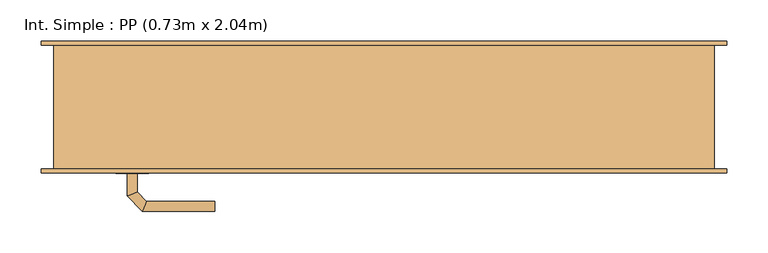
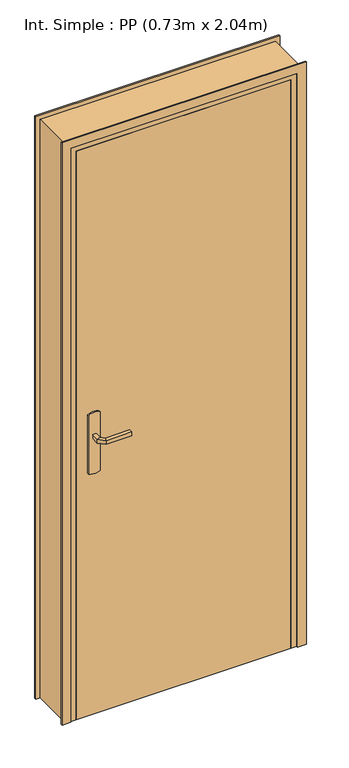
"""IFC4 building model written with IfcOpenShell, lengths in millimetres: door geometry, Int. Simple : PP (0.73m x 2.04m)."""

from ifc_helpers import new_model, si_unit, point, frame, frame_2d, origin, origin_with_axes, place, context, project, spatial, polyline, circle_curve, ellipse_curve, trimmed, segment, composite_curve, outline, extrude, faceted_brep, source, transform, mapped, element, save
from ifc_brep_helpers import plane_surface, cylinder_surface, advanced_brep


def int_simple_pp_0_73m_x_2_04m_1f832047(model_context):
    return source(origin(), model_context, "Body", "SolidModel", [
        extrude(outline(composite_curve([segment(trimmed(circle_curve(frame_2d((904.6410162, -340.0)), 40.0), [point((870.0, -360.0))], [point((870.0, -320.0))], False, "CARTESIAN"), True, "CONTINUOUS"), segment(polyline([(870.0, -320.0), (1080.0, -320.0)]), True, "CONTINUOUS"), segment(trimmed(circle_curve(frame_2d((1045.3589838, -340.0)), 40.0), [point((1080.0, -320.0))], [point((1080.0, -360.0))], False, "CARTESIAN"), True, "CONTINUOUS"), segment(polyline([(1080.0, -360.0), (870.0, -360.0)]), True, "CONTINUOUS")], self_intersect=False)), frame((0.0, -80.0, 0.0), z_axis=(0.0, 1.0, 0.0), x_axis=(0.0, 0.0, 1.0)), (0.0, 0.0, 1.0), 5.0),
        extrude(outline(composite_curve([segment(trimmed(circle_curve(frame_2d((1045.3589838, -340.0)), 40.0), [point((1080.0, -320.0))], [point((1080.0, -360.0))], False, "CARTESIAN"), True, "CONTINUOUS"), segment(polyline([(1080.0, -360.0), (870.0, -360.0)]), True, "CONTINUOUS"), segment(trimmed(circle_curve(frame_2d((904.6410162, -340.0)), 40.0), [point((870.0, -360.0))], [point((870.0, -320.0))], False, "CARTESIAN"), True, "CONTINUOUS"), segment(polyline([(870.0, -320.0), (1080.0, -320.0)]), True, "CONTINUOUS")], self_intersect=False)), frame((0.0, -35.0, 0.0), z_axis=(0.0, 1.0, 0.0), x_axis=(0.0, 0.0, 1.0)), (0.0, 0.0, 1.0), 5.0),
        advanced_brep(
        [(-346.0, -80.0, 1007.0), (-334.0, -80.0, 1007.0), (-334.0, -80.0, 993.0), (-346.0, -80.0, 993.0), (-346.0, -107.6509507, 1007.0), (-334.0, -102.680388, 1007.0), (-334.0, -102.680388, 993.0), (-346.0, -107.6509507, 993.0), (-327.62279, -126.0281607, 1007.0), (-322.6522273, -114.0281607, 1007.0), (-322.6522273, -114.0281607, 993.0), (-327.62279, -126.0281607, 993.0), (-239.9813594, -126.0281607, 1007.0), (-239.9813594, -126.0281607, 993.0), (-239.9813594, -114.0281607, 993.0), (-239.9813594, -114.0281607, 1007.0)],
        [
            (0, 1, circle_curve(frame((-340.0, -80.0, 986.9542278), z_axis=(0.0, 1.0, 0.0), x_axis=(1.0, 0.0, 0.0)), 20.9244589)),
            (1, 2),
            (2, 3, circle_curve(frame((-340.0, -80.0, 1013.0457722), z_axis=(0.0, 1.0, 0.0), x_axis=(1.0, 0.0, 0.0)), 20.9244589)),
            (3, 0),
            (0, 4),
            (4, 5, ellipse_curve(frame((-340.0, -105.1656693, 986.9542278), z_axis=(-0.3826834323651126, 0.9238795325112773, 0.0), x_axis=(0.9238795325112775, 0.38268343236511254, 0.0)), 22.6484711, 20.9244589)),
            (5, 1),
            (5, 6),
            (6, 2),
            (6, 7, ellipse_curve(frame((-340.0, -105.1656693, 1013.0457722), z_axis=(-0.3826834323651126, 0.9238795325112773, 0.0), x_axis=(0.9238795325112775, 0.38268343236511254, 0.0)), 22.6484711, 20.9244589)),
            (7, 3),
            (7, 4),
            (4, 8),
            (8, 9, ellipse_curve(frame((-325.1375086, -120.0281607, 986.9542278), z_axis=(-0.9238795325112962, 0.38268343236506686, 0.0), x_axis=(0.3826834323650665, 0.9238795325112965, 0.0)), 22.6484711, 20.9244589)),
            (9, 5),
            (9, 10),
            (10, 6),
            (10, 11, ellipse_curve(frame((-325.1375086, -120.0281607, 1013.0457722), z_axis=(-0.9238795325112962, 0.38268343236506686, 0.0), x_axis=(0.3826834323650665, 0.9238795325112965, 0.0)), 22.6484711, 20.9244589)),
            (11, 7),
            (11, 8),
            (12, 13),
            (13, 14, circle_curve(frame((-239.9813594, -120.0281607, 1013.0457722), z_axis=(1.0, 0.0, 0.0), x_axis=(0.0, 1.0, 0.0)), 20.9244589)),
            (14, 15),
            (15, 12, circle_curve(frame((-239.9813594, -120.0281607, 986.9542278), z_axis=(1.0, 0.0, 0.0), x_axis=(0.0, 1.0, 0.0)), 20.9244589)),
            (8, 12),
            (15, 9),
            (14, 10),
            (13, 11),
        ],
        [
            plane_surface(frame((-349.2195445, -80.0, 1000.0), z_axis=(0.0, 1.0, 0.0), x_axis=(0.0, 0.0, -1.0))),
            cylinder_surface(frame((-340.0, -80.0, 986.9542278), z_axis=(0.0, 1.0, 0.0), x_axis=(1.0, 0.0, 0.0)), 20.9244589),
            plane_surface(frame((-334.0, -80.0, 1007.0), z_axis=(1.0, 0.0, 0.0), x_axis=(0.0, -1.0, 0.0))),
            cylinder_surface(frame((-340.0, -80.0, 1013.0457722), z_axis=(0.0, 1.0, 0.0), x_axis=(1.0, 0.0, 0.0)), 20.9244589),
            plane_surface(frame((-346.0, -80.0, 993.0), z_axis=(-1.0, 0.0, 0.0), x_axis=(0.0, -1.0, 0.0))),
            cylinder_surface(frame((-340.0, -105.1656693, 986.9542278), z_axis=(-0.7071067811865798, 0.7071067811865152, 0.0), x_axis=(0.7071067811865152, 0.7071067811865798, 0.0)), 20.9244589),
            plane_surface(frame((-334.0, -102.680388, 1007.0), z_axis=(0.7071067811865152, 0.7071067811865799, 0.0), x_axis=(0.7071067811865799, -0.7071067811865152, 0.0))),
            cylinder_surface(frame((-340.0, -105.1656693, 1013.0457722), z_axis=(-0.7071067811865798, 0.7071067811865152, 0.0), x_axis=(0.7071067811865152, 0.7071067811865798, 0.0)), 20.9244589),
            plane_surface(frame((-346.0, -107.6509507, 993.0), z_axis=(-0.7071067811865152, -0.7071067811865799, 0.0), x_axis=(0.7071067811865799, -0.7071067811865152, 0.0))),
            plane_surface(frame((-239.9813594, -120.0281607, 990.7804555), z_axis=(1.0, 0.0, 0.0), x_axis=(0.0, 1.0, 0.0))),
            cylinder_surface(frame((-325.1375086, -120.0281607, 986.9542278), z_axis=(-1.0, 0.0, 0.0), x_axis=(0.0, 1.0, 0.0)), 20.9244589),
            plane_surface(frame((-322.6522273, -114.0281607, 1007.0), z_axis=(0.0, 1.0, 0.0), x_axis=(1.0, 0.0, 0.0))),
            cylinder_surface(frame((-325.1375086, -120.0281607, 1013.0457722), z_axis=(-1.0, 0.0, 0.0), x_axis=(0.0, 1.0, 0.0)), 20.9244589),
            plane_surface(frame((-327.62279, -126.0281607, 993.0), z_axis=(0.0, -1.0, 0.0), x_axis=(1.0, 0.0, 0.0))),
        ],
        [
            (0, [[1, 2, 3, 4]]),
            (1, [[-1, 5, 6, 7]]),
            (2, [[-2, -7, 8, 9]]),
            (3, [[-3, -9, 10, 11]]),
            (4, [[-4, -11, 12, -5]]),
            (5, [[-6, 13, 14, 15]]),
            (6, [[-8, -15, 16, 17]]),
            (7, [[-10, -17, 18, 19]]),
            (8, [[-12, -19, 20, -13]]),
            (9, [[21, 22, 23, 24]]),
            (10, [[-14, 25, -24, 26]]),
            (11, [[-16, -26, -23, 27]]),
            (12, [[-18, -27, -22, 28]]),
            (13, [[-20, -28, -21, -25]]),
        ],
    ),
        advanced_brep(
        [(-334.0, -30.0, 993.0), (-334.0, -30.0, 1007.0), (-346.0, -30.0, 1007.0), (-346.0, -30.0, 993.0), (-334.0, -7.5147955, 993.0), (-334.0, -7.5147955, 1007.0), (-346.0, -2.5442327, 1007.0), (-346.0, -2.5442327, 993.0), (-322.5147186, 3.9704859, 993.0), (-322.5147186, 3.9704859, 1007.0), (-327.4852814, 15.9704859, 1007.0), (-327.4852814, 15.9704859, 993.0), (-239.9542163, 3.9704859, 993.0), (-239.9542163, 15.9704859, 993.0), (-239.9542163, 15.9704859, 1007.0), (-239.9542163, 3.9704859, 1007.0)],
        [
            (0, 1),
            (1, 2, circle_curve(frame((-340.0, -30.0, 986.9542278), z_axis=(0.0, -1.0, 0.0), x_axis=(-1.0, 0.0, 0.0)), 20.9244589)),
            (2, 3),
            (3, 0, circle_curve(frame((-340.0, -30.0, 1013.0457722), z_axis=(0.0, -1.0, 0.0), x_axis=(-1.0, 0.0, 0.0)), 20.9244589)),
            (0, 4),
            (4, 5),
            (5, 1),
            (5, 6, ellipse_curve(frame((-340.0, -5.0295141, 986.9542278), z_axis=(-0.3826834323651055, -0.9238795325112801, 0.0), x_axis=(0.9238795325112799, -0.3826834323651064, 0.0)), 22.6484711, 20.9244589)),
            (6, 2),
            (6, 7),
            (7, 3),
            (7, 4, ellipse_curve(frame((-340.0, -5.0295141, 1013.0457722), z_axis=(-0.3826834323651055, -0.9238795325112801, 0.0), x_axis=(0.9238795325112799, -0.3826834323651064, 0.0)), 22.6484711, 20.9244589)),
            (4, 8),
            (8, 9),
            (9, 5),
            (9, 10, ellipse_curve(frame((-325.0, 9.9704859, 986.9542278), z_axis=(-0.9238795325112932, -0.382683432365074, 0.0), x_axis=(0.3826834323650737, -0.9238795325112934, 0.0)), 22.6484711, 20.9244589)),
            (10, 6),
            (10, 11),
            (11, 7),
            (11, 8, ellipse_curve(frame((-325.0, 9.9704859, 1013.0457722), z_axis=(-0.9238795325112932, -0.382683432365074, 0.0), x_axis=(0.3826834323650737, -0.9238795325112934, 0.0)), 22.6484711, 20.9244589)),
            (12, 13, circle_curve(frame((-239.9542163, 9.9704859, 1013.0457722), z_axis=(1.0, 0.0, 0.0), x_axis=(0.0, 1.0, 0.0)), 20.9244589)),
            (13, 14),
            (14, 15, circle_curve(frame((-239.9542163, 9.9704859, 986.9542278), z_axis=(1.0, 0.0, 0.0), x_axis=(0.0, 1.0, 0.0)), 20.9244589)),
            (15, 12),
            (8, 12),
            (15, 9),
            (14, 10),
            (13, 11),
        ],
        [
            plane_surface(frame((-349.2195445, -30.0, 1000.0), z_axis=(0.0, -1.0, 0.0), x_axis=(0.0, 0.0, 1.0))),
            plane_surface(frame((-334.0, -30.0, 993.0), z_axis=(1.0, 0.0, 0.0), x_axis=(0.0, 1.0, 0.0))),
            cylinder_surface(frame((-340.0, -30.0, 986.9542278), z_axis=(0.0, -1.0, 0.0), x_axis=(-1.0, 0.0, 0.0)), 20.9244589),
            plane_surface(frame((-346.0, -30.0, 1007.0), z_axis=(-1.0, 0.0, 0.0), x_axis=(0.0, 1.0, 0.0))),
            cylinder_surface(frame((-340.0, -30.0, 1013.0457722), z_axis=(0.0, -1.0, 0.0), x_axis=(-1.0, 0.0, 0.0)), 20.9244589),
            plane_surface(frame((-334.0, -7.5147955, 993.0), z_axis=(0.7071067811865208, -0.7071067811865742, 0.0), x_axis=(0.7071067811865742, 0.7071067811865208, 0.0))),
            cylinder_surface(frame((-340.0, -5.0295141, 986.9542278), z_axis=(-0.7071067811865742, -0.7071067811865208, 0.0), x_axis=(-0.7071067811865208, 0.7071067811865742, 0.0)), 20.9244589),
            plane_surface(frame((-346.0, -2.5442327, 1007.0), z_axis=(-0.7071067811865209, 0.7071067811865741, 0.0), x_axis=(0.7071067811865741, 0.7071067811865209, 0.0))),
            cylinder_surface(frame((-340.0, -5.0295141, 1013.0457722), z_axis=(-0.7071067811865742, -0.7071067811865208, 0.0), x_axis=(-0.7071067811865208, 0.7071067811865742, 0.0)), 20.9244589),
            plane_surface(frame((-239.9542163, 9.9704859, 990.7804555), z_axis=(1.0, 0.0, 0.0), x_axis=(0.0, 1.0, 0.0))),
            plane_surface(frame((-322.5147186, 3.9704859, 993.0), z_axis=(0.0, -1.0, 0.0), x_axis=(1.0, 0.0, 0.0))),
            cylinder_surface(frame((-325.0, 9.9704859, 986.9542278), z_axis=(-1.0, 0.0, 0.0), x_axis=(0.0, 1.0, 0.0)), 20.9244589),
            plane_surface(frame((-327.4852814, 15.9704859, 1007.0), z_axis=(0.0, 1.0, 0.0), x_axis=(1.0, 0.0, 0.0))),
            cylinder_surface(frame((-325.0, 9.9704859, 1013.0457722), z_axis=(-1.0, 0.0, 0.0), x_axis=(0.0, 1.0, 0.0)), 20.9244589),
        ],
        [
            (0, [[1, 2, 3, 4]]),
            (1, [[-1, 5, 6, 7]]),
            (2, [[-2, -7, 8, 9]]),
            (3, [[-3, -9, 10, 11]]),
            (4, [[-4, -11, 12, -5]]),
            (5, [[-6, 13, 14, 15]]),
            (6, [[-8, -15, 16, 17]]),
            (7, [[-10, -17, 18, 19]]),
            (8, [[-12, -19, 20, -13]]),
            (9, [[21, 22, 23, 24]]),
            (10, [[-14, 25, -24, 26]]),
            (11, [[-16, -26, -23, 27]]),
            (12, [[-18, -27, -22, 28]]),
            (13, [[-20, -28, -21, -25]]),
        ],
    ),
        extrude(outline(polyline([(-400.0, -35.0), (330.0, -35.0), (330.0, -75.0), (-400.0, -75.0), (-400.0, -35.0)])), origin_with_axes(), (0.0, 0.0, 1.0), 2040.0),
        faceted_brep([(-435.0, -75.0, 0.0), (-435.0, 75.0, 0.0), (-385.0, 75.0, 0.0), (-385.0, -35.0, 0.0), (-400.0, -35.0, 0.0), (-400.0, -75.0, 0.0), (-435.0, -75.0, 2075.0), (-435.0, 75.0, 2075.0), (365.0, 75.0, 2075.0), (365.0, 75.0, 0.0), (315.0, 75.0, 0.0), (315.0, 75.0, 2025.0), (-385.0, 75.0, 2025.0), (-385.0, -35.0, 2025.0), (315.0, -35.0, 2025.0), (315.0, -35.0, 0.0), (330.0, -35.0, 0.0), (330.0, -35.0, 2040.0), (-400.0, -35.0, 2040.0), (-400.0, -75.0, 2040.0), (330.0, -75.0, 2040.0), (330.0, -75.0, 0.0), (365.0, -75.0, 0.0), (365.0, -75.0, 2075.0)], [[[0, 1, 2, 3, 4, 5]], [[1, 0, 6, 7]], [[2, 1, 7, 8, 9, 10, 11, 12]], [[3, 2, 12, 13]], [[4, 3, 13, 14, 15, 16, 17, 18]], [[5, 4, 18, 19]], [[0, 5, 19, 20, 21, 22, 23, 6]], [[8, 23, 22, 9]], [[22, 21, 16, 15, 10, 9]], [[14, 11, 10, 15]], [[20, 17, 16, 21]], [[7, 6, 23, 8]], [[13, 12, 11, 14]], [[19, 18, 17, 20]]]),
        extrude(outline(polyline([(0.0, -450.0), (0.0, -420.0), (2060.0, -420.0), (2060.0, 350.0), (0.0, 350.0), (0.0, 380.0), (2090.0, 380.0), (2090.0, -450.0), (0.0, -450.0)])), frame((0.0, -80.0, 0.0), z_axis=(0.0, 1.0, 0.0), x_axis=(0.0, 0.0, 1.0)), (0.0, 0.0, 1.0), 5.0),
        extrude(outline(polyline([(0.0, -450.0), (0.0, -420.0), (2060.0, -420.0), (2060.0, 350.0), (0.0, 350.0), (0.0, 380.0), (2090.0, 380.0), (2090.0, -450.0), (0.0, -450.0)])), frame((0.0, 75.0, 0.0), z_axis=(0.0, 1.0, 0.0), x_axis=(0.0, 0.0, 1.0)), (0.0, 0.0, 1.0), 5.0),
    ])


if __name__ == "__main__":
    model = new_model("IFC4")
    model_context = context("Model", 3, world=origin())
    ifc_project = project(units=[si_unit("LENGTHUNIT", "METRE", prefix="MILLI")], contexts=[model_context])
    site = spatial("IfcSite", under=ifc_project)
    building = spatial("IfcBuilding", under=site)
    placement = place(None, origin())
    int_simple_pp_0_73m_x_2_04m_shape = int_simple_pp_0_73m_x_2_04m_1f832047(model_context)
    element("IfcDoor", 1, ObjectType="Int. Simple : PP (0.73m x 2.04m)", at=placement, inside=building, context=model_context, shape_type="MappedRepresentation", body=[
        mapped(int_simple_pp_0_73m_x_2_04m_shape, transform((0.0, 0.0, 0.0), x_axis=(1.0, 0.0, 0.0), y_axis=(0.0, 1.0, 0.0), z_axis=(0.0, 0.0, 1.0))),
    ])
    save(model, "model.ifc")
